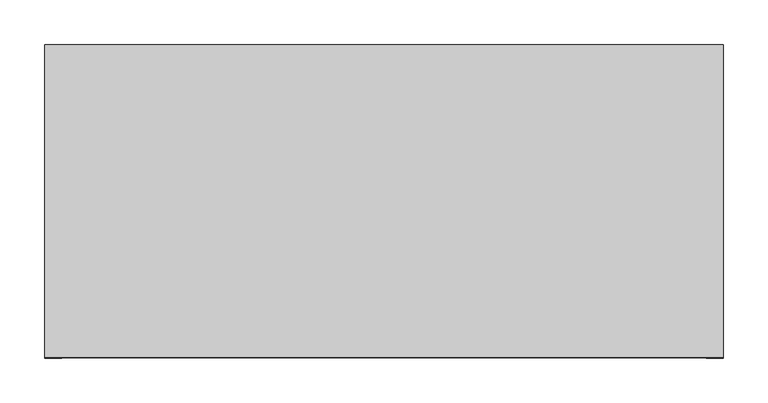
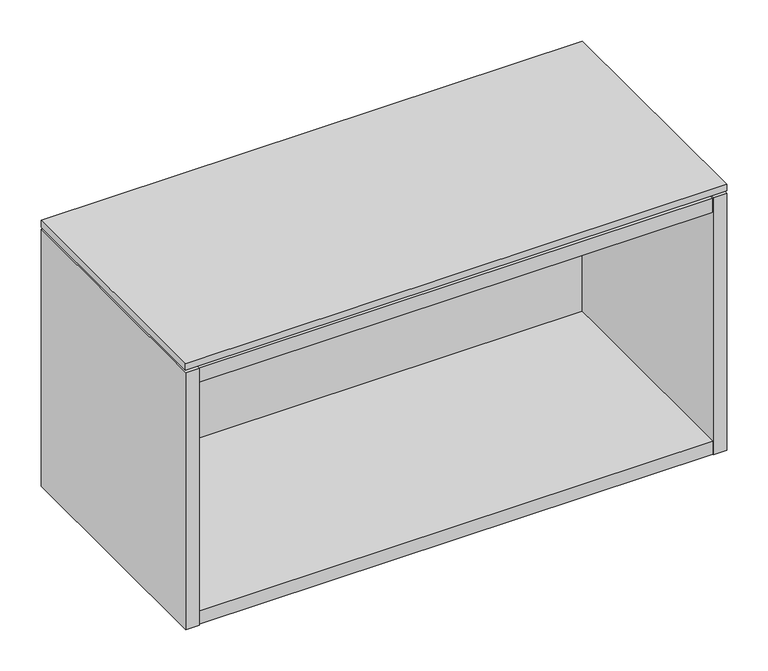
"""IFC4 building model written with IfcOpenShell, lengths in millimetres: furniture geometry."""

from ifc_helpers import new_model, si_unit, frame, origin, place, context, project, spatial, polyline, outline, extrude, faceted_brep, source, transform, mapped, element, save


def furniture_f5e19f4c(model_context):
    return source(origin(), model_context, "Body", "SolidModel", [
        extrude(outline(polyline([(301.8234375, -191.0115724), (-457.2, -191.0115724), (-457.2, 158.8226276), (301.8234375, 158.8226276), (301.8234375, -191.0115724)])), frame((0.0, 0.0, 714.502), z_axis=(0.0, 0.0, 1.0), x_axis=(1.0, 0.0, 0.0)), (0.0, 0.0, 1.0), 9.779),
        extrude(outline(polyline([(-437.896, 145.5282676), (-437.896, 158.8226276), (282.5194375, 158.8226276), (282.5194375, 145.5282676), (-437.896, 145.5282676)])), frame((0.0, 0.0, 613.31475), z_axis=(0.0, 0.0, 1.0), x_axis=(1.0, 0.0, 0.0)), (0.0, 0.0, 1.0), 76.2),
        faceted_brep([(282.5194375, -191.0115724, 350.266), (-437.896, -191.0115724, 350.266), (-437.896, -191.0115724, 330.962), (282.5194375, -191.0115724, 330.962), (-437.896, 145.5282676, 689.51475), (282.5194375, 145.5282676, 689.51475), (282.5194375, 145.5282676, 330.2), (-437.896, 145.5282676, 330.2), (282.5194375, 126.2242676, 350.266), (-437.896, 126.2242676, 350.266), (-437.896, 126.2242676, 330.962), (282.5194375, 126.2242676, 330.962), (-437.896, 158.8226276, 711.2), (-457.2, 158.8226276, 711.2), (-457.2, -191.7735724, 711.2), (-437.896, -191.7735724, 711.2), (282.5194375, -191.7735724, 711.2), (301.8234375, -191.7735724, 711.2), (301.8234375, 158.8226276, 711.2), (282.5194375, 158.8226276, 711.2), (-437.896, -191.7735724, 330.2), (-457.2, -191.7735724, 330.2), (-457.2, 158.8226276, 330.2), (-437.896, 158.8226276, 330.2), (282.5194375, 158.8226276, 330.2), (301.8234375, 158.8226276, 330.2), (301.8234375, -191.7735724, 330.2), (282.5194375, -191.7735724, 330.2), (282.5194375, 126.2242676, 330.2), (-437.896, 126.2242676, 330.2), (-437.896, 158.8226276, 710.438), (282.5194375, 158.8226276, 710.438), (282.5194375, 158.8226276, 689.51475), (-437.896, 158.8226276, 689.51475), (-437.896, 126.2242676, 689.51475), (-437.896, -191.0115724, 689.51475), (-437.896, -191.0115724, 710.438), (282.5194375, -191.0115724, 710.438), (282.5194375, -191.0115724, 689.51475), (282.5194375, 126.2242676, 689.51475)], [[[0, 1, 2, 3]], [[4, 5, 6, 7]], [[1, 0, 8, 9]], [[3, 2, 10, 11]], [[12, 13, 14, 15]], [[16, 17, 18, 19]], [[20, 21, 22, 23, 7, 6, 24, 25, 26, 27, 28, 29]], [[13, 12, 30, 31, 19, 18, 25, 24, 32, 33, 23, 22]], [[14, 13, 22, 21]], [[15, 14, 21, 20]], [[4, 7, 23, 33]], [[12, 15, 20, 29, 10, 2, 1, 9, 34, 35, 36, 30]], [[6, 5, 32, 24]], [[16, 19, 31, 37, 38, 39, 8, 0, 3, 11, 28, 27]], [[17, 16, 27, 26]], [[18, 17, 26, 25]], [[37, 36, 35, 38]], [[36, 37, 31, 30]], [[33, 32, 5, 4]], [[38, 35, 34, 39]], [[9, 8, 39, 34]], [[29, 28, 11, 10]]]),
    ])


if __name__ == "__main__":
    model = new_model("IFC4")
    model_context = context("Model", 3, world=origin())
    ifc_project = project(units=[si_unit("LENGTHUNIT", "METRE", prefix="MILLI")], contexts=[model_context])
    site = spatial("IfcSite", under=ifc_project)
    building = spatial("IfcBuilding", under=site)
    placement = place(None, origin())
    furniture_shape = furniture_f5e19f4c(model_context)
    element("IfcFurniture", 1, at=placement, inside=building, context=model_context, shape_type="MappedRepresentation", body=[
        mapped(furniture_shape, transform((0.0, 0.0, 0.0), x_axis=(1.0, 0.0, 0.0), y_axis=(0.0, 1.0, 0.0), z_axis=(0.0, 0.0, 1.0))),
    ])
    save(model, "model.ifc")
